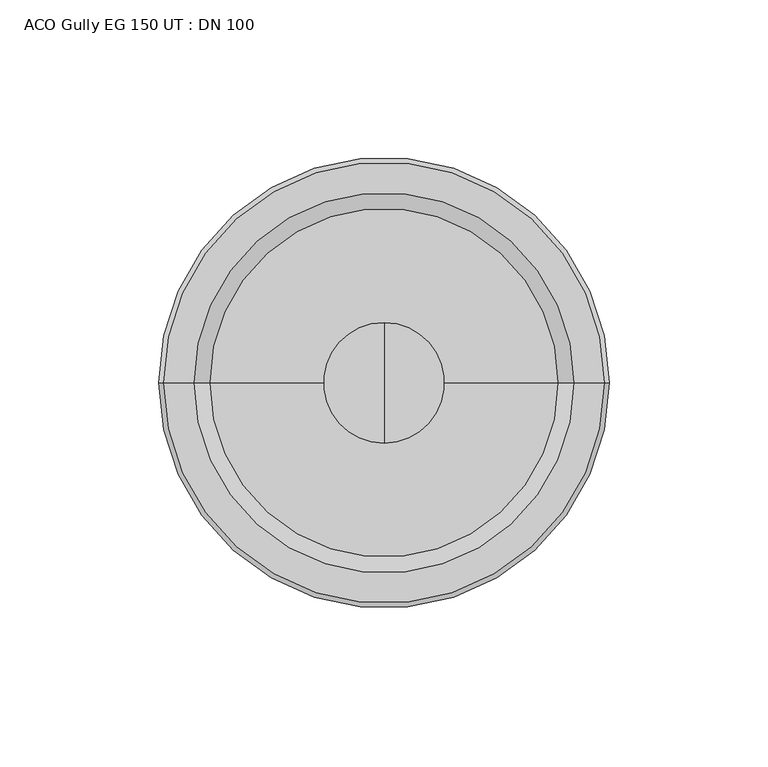
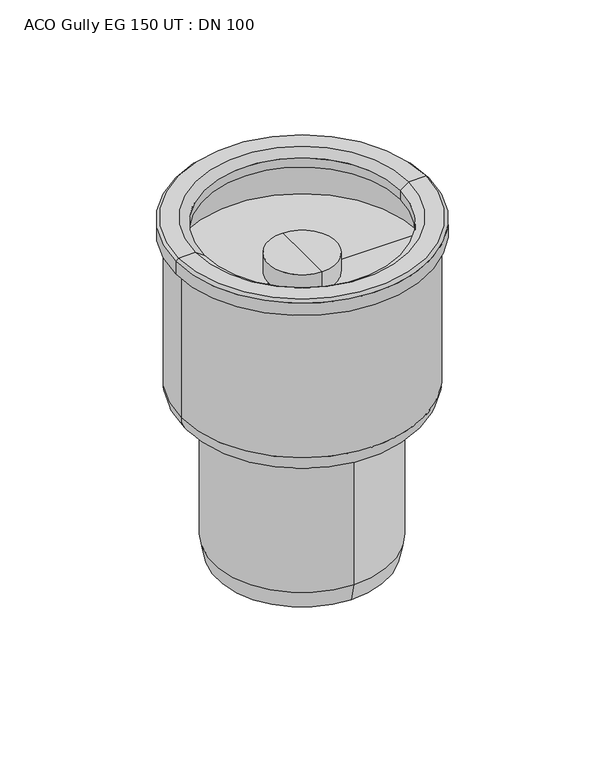
"""IFC4 building model written with IfcOpenShell, lengths in millimetres: flow terminal geometry, ACO Gully EG 150 UT : DN 100."""

from ifc_helpers import new_model, si_unit, point, frame, origin, place, context, project, spatial, polyline, circle_curve, ellipse_curve, trimmed, source, transform, mapped, element, save
from ifc_brep_helpers import plane_surface, cylinder_surface, revolved_surface, advanced_brep


def aco_gully_eg_150_ut_dn_100_044c86c6(model_context):
    return source(origin(), model_context, "Body", "AdvancedBrep", [
        advanced_brep(
        [(-68.0, 0.0, -195.3489424), (68.0, 0.0, -195.3489424), (55.8489424, 0.0, -207.5), (-55.8489424, 0.0, -207.5), (-68.0, 0.0, -108.7851751), (68.0, 0.0, -108.7851751), (0.0, 0.0, -207.5), (-66.5, 0.0, -132.7134268), (66.5, 0.0, -132.7134268), (66.5, 0.0, -108.7851751), (-66.5, 0.0, -108.7851751), (0.0, 0.0, -132.7134268), (-71.0767781, 0.0, -108.7851751), (71.0767781, 0.0, -108.7851751), (-71.0767781, 0.0, -101.5), (71.0767781, 0.0, -101.5), (-69.5767781, 0.0, -100.0), (69.5767781, 0.0, -100.0), (-60.0, 0.0, -100.0), (60.0, 0.0, -100.0), (-55.0, 0.0, -103.4364048), (55.0, 0.0, -103.4364048), (-55.0, 0.0, -108.7851751), (55.0, 0.0, -108.7851751)],
        [
            (0, 1, circle_curve(frame((0.0, 0.0, -195.3489424), z_axis=(0.0, 0.0, -1.0), x_axis=(1.0, 0.0, 0.0)), 68.0)),
            (1, 2, circle_curve(frame((55.8489424, 0.0, -195.3489424), z_axis=(0.0, 1.0, 0.0), x_axis=(1.0, 0.0, 0.0)), 12.1510576)),
            (2, 3, circle_curve(frame((0.0, 0.0, -207.5), z_axis=(0.0, 0.0, 1.0), x_axis=(1.0, 0.0, 0.0)), 55.8489424)),
            (3, 0, circle_curve(frame((-55.8489424, 0.0, -195.3489424), z_axis=(0.0, 1.0, 0.0), x_axis=(-1.0, 0.0, 0.0)), 12.1510576)),
            (1, 0, circle_curve(frame((0.0, 0.0, -195.3489424), z_axis=(0.0, 0.0, -1.0), x_axis=(1.0, 0.0, 0.0)), 68.0)),
            (3, 2, circle_curve(frame((0.0, 0.0, -207.5), z_axis=(0.0, 0.0, 1.0), x_axis=(1.0, 0.0, 0.0)), 55.8489424)),
            (4, 5, circle_curve(frame((0.0, 0.0, -108.7851751), z_axis=(0.0, 0.0, -1.0), x_axis=(1.0, 0.0, 0.0)), 68.0)),
            (5, 1),
            (0, 4),
            (5, 4, circle_curve(frame((0.0, 0.0, -108.7851751), z_axis=(0.0, 0.0, -1.0), x_axis=(1.0, 0.0, 0.0)), 68.0)),
            (2, 6),
            (6, 3),
            (7, 8, circle_curve(frame((0.0, 0.0, -132.7134268), z_axis=(0.0, 0.0, -1.0), x_axis=(1.0, 0.0, 0.0)), 66.5)),
            (8, 9),
            (9, 10, circle_curve(frame((0.0, 0.0, -108.7851751), z_axis=(0.0, 0.0, 1.0), x_axis=(1.0, 0.0, 0.0)), 66.5)),
            (10, 7),
            (8, 7, circle_curve(frame((0.0, 0.0, -132.7134268), z_axis=(0.0, 0.0, -1.0), x_axis=(1.0, 0.0, 0.0)), 66.5)),
            (10, 9, circle_curve(frame((0.0, 0.0, -108.7851751), z_axis=(0.0, 0.0, 1.0), x_axis=(1.0, 0.0, 0.0)), 66.5)),
            (11, 8),
            (7, 11),
            (12, 13, circle_curve(frame((0.0, 0.0, -108.7851751), z_axis=(0.0, 0.0, -1.0), x_axis=(1.0, 0.0, 0.0)), 71.0767781)),
            (13, 5),
            (4, 12),
            (13, 12, circle_curve(frame((0.0, 0.0, -108.7851751), z_axis=(0.0, 0.0, -1.0), x_axis=(1.0, 0.0, 0.0)), 71.0767781)),
            (14, 15, circle_curve(frame((0.0, 0.0, -101.5), z_axis=(0.0, 0.0, -1.0), x_axis=(1.0, 0.0, 0.0)), 71.0767781)),
            (15, 13),
            (12, 14),
            (15, 14, circle_curve(frame((0.0, 0.0, -101.5), z_axis=(0.0, 0.0, -1.0), x_axis=(1.0, 0.0, 0.0)), 71.0767781)),
            (16, 17, circle_curve(frame((0.0, 0.0, -100.0), z_axis=(0.0, 0.0, -1.0), x_axis=(1.0, 0.0, 0.0)), 69.5767781)),
            (17, 15),
            (14, 16),
            (17, 16, circle_curve(frame((0.0, 0.0, -100.0), z_axis=(0.0, 0.0, -1.0), x_axis=(1.0, 0.0, 0.0)), 69.5767781)),
            (18, 19, circle_curve(frame((0.0, 0.0, -100.0), z_axis=(0.0, 0.0, -1.0), x_axis=(1.0, 0.0, 0.0)), 60.0)),
            (19, 17),
            (16, 18),
            (19, 18, circle_curve(frame((0.0, 0.0, -100.0), z_axis=(0.0, 0.0, -1.0), x_axis=(1.0, 0.0, 0.0)), 60.0)),
            (20, 21, circle_curve(frame((0.0, 0.0, -103.4364048), z_axis=(0.0, 0.0, -1.0), x_axis=(1.0, 0.0, 0.0)), 55.0)),
            (21, 19),
            (18, 20),
            (21, 20, circle_curve(frame((0.0, 0.0, -103.4364048), z_axis=(0.0, 0.0, -1.0), x_axis=(1.0, 0.0, 0.0)), 55.0)),
            (22, 23, circle_curve(frame((0.0, 0.0, -108.7851751), z_axis=(0.0, 0.0, -1.0), x_axis=(1.0, 0.0, 0.0)), 55.0)),
            (23, 21),
            (20, 22),
            (23, 22, circle_curve(frame((0.0, 0.0, -108.7851751), z_axis=(0.0, 0.0, -1.0), x_axis=(1.0, 0.0, 0.0)), 55.0)),
            (9, 23),
            (22, 10),
        ],
        [
            revolved_surface(trimmed(ellipse_curve(frame((55.8489424, 0.0, -195.3489424), z_axis=(0.0, -1.0, 0.0), x_axis=(1.0, 0.0, 0.0)), 12.1510576, 12.1510576), [point((55.8489424, 0.0, -207.5))], [point((68.0, 0.0, -195.3489424))], True, "CARTESIAN"), (0.0, 0.0, -101.7134268), (0.0, 0.0, 1.0)),
            cylinder_surface(frame((0.0, 0.0, -101.7134268), z_axis=(0.0, 0.0, 1.0), x_axis=(1.0, 0.0, 0.0)), 68.0),
            plane_surface(frame((0.0, 0.0, -207.5), z_axis=(0.0, 0.0, -1.0), x_axis=(1.0, 0.0, 0.0))),
            revolved_surface(polyline([(66.5, 0.0, -108.7851751), (66.5, 0.0, -132.7134268)]), (0.0, 0.0, -101.7134268), (0.0, 0.0, 1.0)),
            plane_surface(frame((0.0, 0.0, -132.7134268), z_axis=(0.0, 0.0, 1.0), x_axis=(1.0, 0.0, 0.0))),
            plane_surface(frame((0.0, 0.0, -108.7851751), z_axis=(0.0, 0.0, -1.0), x_axis=(1.0, 0.0, 0.0))),
            cylinder_surface(frame((0.0, 0.0, -101.7134268), z_axis=(0.0, 0.0, 1.0), x_axis=(1.0, 0.0, 0.0)), 71.0767781),
            revolved_surface(polyline([(71.0767781, 0.0, -101.5), (69.5767781, 0.0, -100.0)]), (0.0, 0.0, -101.7134268), (0.0, 0.0, 1.0)),
            plane_surface(frame((0.0, 0.0, -100.0), z_axis=(0.0, 0.0, 1.0), x_axis=(1.0, 0.0, 0.0))),
            revolved_surface(polyline([(60.0, 0.0, -100.0), (55.0, 0.0, -103.4364048)]), (0.0, 0.0, -101.7134268), (0.0, 0.0, 1.0)),
            revolved_surface(polyline([(55.0, 0.0, -103.4364048), (55.0, 0.0, -108.7851751)]), (0.0, 0.0, -101.7134268), (0.0, 0.0, 1.0)),
        ],
        [
            (0, [[1, 2, 3, 4]]),
            (0, [[5, -4, 6, -2]]),
            (1, [[7, 8, -1, 9]]),
            (1, [[10, -9, -5, -8]]),
            (2, [[-3, 11, 12]]),
            (2, [[-6, -12, -11]]),
            (3, [[13, 14, 15, 16]]),
            (3, [[17, -16, 18, -14]]),
            (4, [[19, -13, 20]]),
            (4, [[-20, -17, -19]]),
            (5, [[21, 22, -7, 23]]),
            (5, [[24, -23, -10, -22]]),
            (6, [[25, 26, -21, 27]]),
            (6, [[28, -27, -24, -26]]),
            (7, [[29, 30, -25, 31]]),
            (7, [[32, -31, -28, -30]]),
            (8, [[33, 34, -29, 35]]),
            (8, [[36, -35, -32, -34]]),
            (9, [[37, 38, -33, 39]]),
            (9, [[40, -39, -36, -38]]),
            (10, [[41, 42, -37, 43]]),
            (10, [[44, -43, -40, -42]]),
            (5, [[-15, 45, -41, 46]]),
            (5, [[-18, -46, -44, -45]]),
        ],
    ),
        advanced_brep(
        [(0.0, -47.8503347, -298.0374565), (0.0, 47.8503347, -298.0374565), (0.0, 46.7901902, -298.0374565), (0.0, -46.7901902, -298.0374565), (0.0, -50.0, -198.0374565), (0.0, 50.0, -198.0374565), (0.0, 50.0, -287.9814513), (0.0, -50.0, -287.9814513), (0.0, 0.0, -121.0374565), (0.0, 19.0, -121.0374565), (0.0, -19.0, -121.0374565), (0.0, -19.0, -168.9410724), (0.0, 19.0, -168.9410724), (0.0, -46.7901902, -221.0374565), (0.0, 46.7901902, -221.0374565), (0.0, 0.0, -221.0374565)],
        [
            (0, 1, circle_curve(frame((0.0, 0.0, -298.0374565), z_axis=(0.0, 0.0, -1.0), x_axis=(0.0, 1.0, 0.0)), 47.8503347)),
            (1, 2),
            (2, 3, circle_curve(frame((0.0, 0.0, -298.0374565), z_axis=(0.0, 0.0, 1.0), x_axis=(0.0, 1.0, 0.0)), 46.7901902)),
            (3, 0),
            (1, 0, circle_curve(frame((0.0, 0.0, -298.0374565), z_axis=(0.0, 0.0, -1.0), x_axis=(0.0, 1.0, 0.0)), 47.8503347)),
            (3, 2, circle_curve(frame((0.0, 0.0, -298.0374565), z_axis=(0.0, 0.0, 1.0), x_axis=(0.0, 1.0, 0.0)), 46.7901902)),
            (4, 5, circle_curve(frame((0.0, 0.0, -198.0374565), z_axis=(0.0, 0.0, -1.0), x_axis=(0.0, 1.0, 0.0)), 50.0)),
            (5, 6),
            (6, 7, circle_curve(frame((0.0, 0.0, -287.9814513), z_axis=(0.0, 0.0, 1.0), x_axis=(0.0, 1.0, 0.0)), 50.0)),
            (7, 4),
            (5, 4, circle_curve(frame((0.0, 0.0, -198.0374565), z_axis=(0.0, 0.0, -1.0), x_axis=(0.0, 1.0, 0.0)), 50.0)),
            (7, 6, circle_curve(frame((0.0, 0.0, -287.9814513), z_axis=(0.0, 0.0, 1.0), x_axis=(0.0, 1.0, 0.0)), 50.0)),
            (8, 9),
            (9, 10, circle_curve(frame((0.0, 0.0, -121.0374565), z_axis=(0.0, 0.0, 1.0), x_axis=(0.0, 1.0, 0.0)), 19.0)),
            (10, 8),
            (10, 9, circle_curve(frame((0.0, 0.0, -121.0374565), z_axis=(0.0, 0.0, 1.0), x_axis=(0.0, 1.0, 0.0)), 19.0)),
            (11, 12, circle_curve(frame((0.0, 0.0, -168.9410724), z_axis=(0.0, 0.0, -1.0), x_axis=(0.0, 1.0, 0.0)), 19.0)),
            (12, 5),
            (4, 11),
            (12, 11, circle_curve(frame((0.0, 0.0, -168.9410724), z_axis=(0.0, 0.0, -1.0), x_axis=(0.0, 1.0, 0.0)), 19.0)),
            (6, 1),
            (0, 7),
            (13, 14, circle_curve(frame((0.0, 0.0, -221.0374565), z_axis=(0.0, 0.0, -1.0), x_axis=(0.0, 1.0, 0.0)), 46.7901902)),
            (14, 15),
            (15, 13),
            (14, 13, circle_curve(frame((0.0, 0.0, -221.0374565), z_axis=(0.0, 0.0, -1.0), x_axis=(0.0, 1.0, 0.0)), 46.7901902)),
            (2, 14),
            (13, 3),
            (9, 12),
            (11, 10),
        ],
        [
            plane_surface(frame((0.0, 0.0, -298.0374565), z_axis=(0.0, 0.0, -1.0), x_axis=(0.0, 1.0, 0.0))),
            cylinder_surface(frame((0.0, 0.0, -121.0), z_axis=(0.0, 0.0, 1.0), x_axis=(0.0, 1.0, 0.0)), 50.0),
            plane_surface(frame((0.0, 0.0, -121.0374565), z_axis=(0.0, 0.0, 1.0), x_axis=(0.0, 1.0, 0.0))),
            revolved_surface(polyline([(0.0, 50.0, -198.0374565), (0.0, 19.0, -168.9410724)]), (0.0, 0.0, -121.0), (0.0, 0.0, 1.0)),
            revolved_surface(polyline([(0.0, 47.8503347, -298.0374565), (0.0, 50.0, -287.9814513)]), (0.0, 0.0, -121.0), (0.0, 0.0, 1.0)),
            plane_surface(frame((0.0, 0.0, -221.0374565), z_axis=(0.0, 0.0, -1.0), x_axis=(0.0, 1.0, 0.0))),
            revolved_surface(polyline([(0.0, 46.7901902, -221.0374565), (0.0, 46.7901902, -298.0374565)]), (0.0, 0.0, -121.0), (0.0, 0.0, 1.0)),
            cylinder_surface(frame((0.0, 0.0, -121.0), z_axis=(0.0, 0.0, 1.0), x_axis=(0.0, 1.0, 0.0)), 19.0),
        ],
        [
            (0, [[1, 2, 3, 4]]),
            (0, [[5, -4, 6, -2]]),
            (1, [[7, 8, 9, 10]]),
            (1, [[11, -10, 12, -8]]),
            (2, [[13, 14, 15]]),
            (2, [[-15, 16, -13]]),
            (3, [[17, 18, -7, 19]]),
            (3, [[20, -19, -11, -18]]),
            (4, [[-9, 21, -1, 22]]),
            (4, [[-12, -22, -5, -21]]),
            (5, [[23, 24, 25]]),
            (5, [[26, -25, -24]]),
            (6, [[-3, 27, -23, 28]]),
            (6, [[-6, -28, -26, -27]]),
            (7, [[-14, 29, -17, 30]]),
            (7, [[-16, -30, -20, -29]]),
        ],
    ),
    ])


if __name__ == "__main__":
    model = new_model("IFC4")
    model_context = context("Model", 3, world=origin())
    ifc_project = project(units=[si_unit("LENGTHUNIT", "METRE", prefix="MILLI")], contexts=[model_context])
    site = spatial("IfcSite", under=ifc_project)
    building = spatial("IfcBuilding", under=site)
    placement = place(None, origin())
    aco_gully_eg_150_ut_dn_100_shape = aco_gully_eg_150_ut_dn_100_044c86c6(model_context)
    element("IfcFlowTerminal", 1, ObjectType="ACO Gully EG 150 UT : DN 100", at=placement, inside=building, context=model_context, shape_type="MappedRepresentation", body=[
        mapped(aco_gully_eg_150_ut_dn_100_shape, transform((0.0, 0.0, 0.0), x_axis=(1.0, 0.0, 0.0), y_axis=(0.0, 1.0, 0.0), z_axis=(0.0, 0.0, 1.0))),
    ])
    save(model, "model.ifc")
